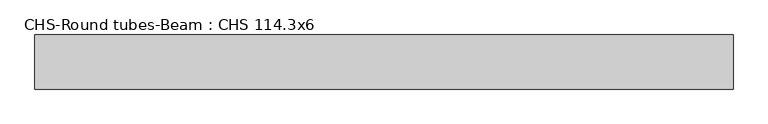
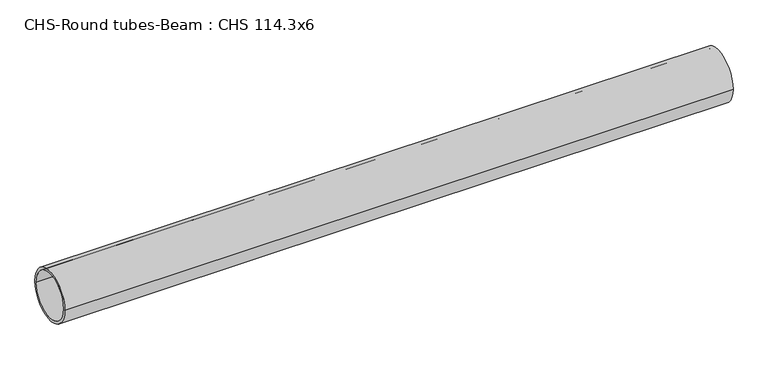
"""IFC4 building model written with IfcOpenShell, lengths in millimetres: beam geometry, CHS-Round tubes-Beam : CHS 114.3x6."""

from ifc_helpers import new_model, si_unit, point, frame, origin, origin_2d, place, context, project, spatial, circle_curve, trimmed, segment, composite_curve, outline, extrude, source, transform, mapped, element, save


def chs_round_tubes_beam_chs_114_3x6_3c7b429b(model_context):
    return source(origin(), model_context, "Body", "SweptSolid", [
        extrude(outline(composite_curve([segment(trimmed(circle_curve(origin_2d(), 57.15), [point((57.15, 0.0))], [point((-57.15, 0.0))], False, "CARTESIAN"), True, "CONTINUOUS"), segment(trimmed(circle_curve(origin_2d(), 57.15), [point((-57.15, 0.0))], [point((57.15, 0.0))], False, "CARTESIAN"), True, "CONTINUOUS")], self_intersect=False), holes=[composite_curve([segment(trimmed(circle_curve(origin_2d(), 51.15), [point((51.15, 0.0))], [point((-51.15, 0.0))], True, "CARTESIAN"), True, "CONTINUOUS"), segment(trimmed(circle_curve(origin_2d(), 51.15), [point((-51.15, 0.0))], [point((51.15, 0.0))], True, "CARTESIAN"), True, "CONTINUOUS")], self_intersect=False)]), frame((-756.5714597, 0.0, 0.0), z_axis=(1.0, 0.0, 0.0), x_axis=(0.0, 1.0, 0.0)), (0.0, 0.0, 1.0), 1473.7986354),
    ])


if __name__ == "__main__":
    model = new_model("IFC4")
    model_context = context("Model", 3, world=origin())
    ifc_project = project(units=[si_unit("LENGTHUNIT", "METRE", prefix="MILLI")], contexts=[model_context])
    site = spatial("IfcSite", under=ifc_project)
    building = spatial("IfcBuilding", under=site)
    placement = place(None, origin())
    chs_round_tubes_beam_chs_114_3x6_shape = chs_round_tubes_beam_chs_114_3x6_3c7b429b(model_context)
    element("IfcBeam", 1, ObjectType="CHS-Round tubes-Beam : CHS 114.3x6", at=placement, inside=building, context=model_context, shape_type="MappedRepresentation", body=[
        mapped(chs_round_tubes_beam_chs_114_3x6_shape, transform((0.0, 0.0, 0.0), x_axis=(1.0, 0.0, 0.0), y_axis=(0.0, 1.0, 0.0), z_axis=(0.0, 0.0, 1.0))),
    ])
    save(model, "model.ifc")
